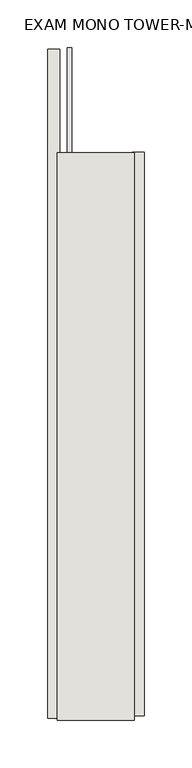
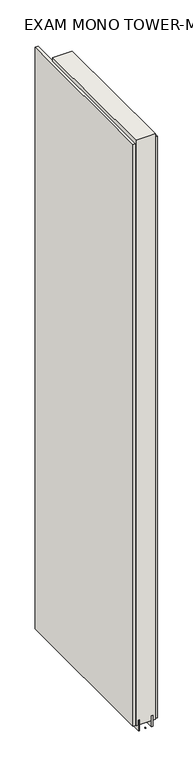
"""IFC4 building model written with IfcOpenShell, lengths in millimetres: wall geometry, EXAM MONO TOWER-MONO ACCENT 476356 : EXAM MONO TOWER-MONO ACCENT 476356."""

import ifcopenshell
import ifcopenshell.guid

model = None  # the IFC model being written
_history = None  # IfcOwnerHistory: only IFC2X3 demands one
_inside = {}  # id of a spatial element -> (the spatial element, [elements in it])
_under = {}  # id of a project, library or spatial element -> (it, [spatial elements below it])
_declared = {}  # id of a project -> (the project, [libraries it declares])
_typed = {}  # id of a type object -> (the type object, [elements of that type])
_made_of = {}  # id of a material, layer set ... -> (it, [elements and type objects made of it])


def new_model(schema):
    """Start an empty IFC model of exactly this schema.

    Asked for "IFC4X3", IfcOpenShell would pick the latest addendum, in which some entities
    have other attributes; the version numbers below select the first issue.
    IFC2X3 requires an IfcOwnerHistory on every rooted entity: one is made here for all.
    """
    global model, _history
    if schema == "IFC4X3":
        model = ifcopenshell.file(schema_version=(4, 3, 0, 0))
    else:
        model = ifcopenshell.file(schema=schema)
    _inside.clear()
    _under.clear()
    _declared.clear()
    _typed.clear()
    _made_of.clear()
    _history = None
    if model.schema == "IFC2X3":
        org = make("IfcOrganization", Name="unknown")
        user = make(
            "IfcPersonAndOrganization",
            ThePerson=make("IfcPerson", FamilyName="unknown"),
            TheOrganization=org,
        )
        app = make(
            "IfcApplication",
            ApplicationDeveloper=org,
            Version="unknown",
            ApplicationFullName="unknown",
            ApplicationIdentifier="unknown",
        )
        _history = make(
            "IfcOwnerHistory",
            OwningUser=user,
            OwningApplication=app,
            ChangeAction="ADDED",
            CreationDate=0,
        )
    return model


def make(cls, **values):
    """One entity of the class cls with the attributes given. An attribute that is None is left unset."""
    return model.create_entity(
        cls, **{name: value for name, value in values.items() if value is not None}
    )


def rooted(cls, **values):
    """An entity with a GlobalId (a new one), such as an element, a storey or a relation."""
    return make(cls, GlobalId=ifcopenshell.guid.new(), OwnerHistory=_history, **values)


def si_unit(unit_type, name, prefix=None):
    """IfcSIUnit, for example si_unit("LENGTHUNIT", "METRE", prefix="MILLI")."""
    return make("IfcSIUnit", UnitType=unit_type, Prefix=prefix, Name=name)


def assignment(units):
    """IfcUnitAssignment: the units of a project."""
    return None if units is None else make("IfcUnitAssignment", Units=units)


def point(xyz):
    """IfcCartesianPoint."""
    return None if xyz is None else make("IfcCartesianPoint", Coordinates=xyz)


def direction(xyz):
    """IfcDirection."""
    return None if xyz is None else make("IfcDirection", DirectionRatios=xyz)


def frame(location, z_axis=None, x_axis=None):
    """IfcAxis2Placement3D, a coordinate frame: its origin and axes. An axis left out is left unset."""
    return make(
        "IfcAxis2Placement3D",
        Location=point(location),
        Axis=direction(z_axis),
        RefDirection=direction(x_axis),
    )


def origin():
    """The frame at (0, 0, 0) with its axes left unset."""
    return frame((0.0, 0.0, 0.0))


def place(relative_to, where):
    """IfcLocalPlacement: puts the frame where relative to a parent placement (None: the world)."""
    return make(
        "IfcLocalPlacement", PlacementRelTo=relative_to, RelativePlacement=where
    )


def context(
    kind, dimensions, precision=None, world=None, true_north=None, identifier=None
):
    """IfcGeometricRepresentationContext, for example the 3D "Model" context."""
    return make(
        "IfcGeometricRepresentationContext",
        ContextIdentifier=identifier,
        ContextType=kind,
        CoordinateSpaceDimension=dimensions,
        Precision=precision,
        WorldCoordinateSystem=world,
        TrueNorth=true_north,
    )


def project(units=None, contexts=None):
    """IfcProject with its units and contexts."""
    return rooted(
        "IfcProject",
        Name="project",
        RepresentationContexts=contexts,
        UnitsInContext=assignment(units),
    )


def spatial(cls, under=None, at=None, **own):
    """A site, building, storey or space (cls), placed at a placement, below another one or the project."""
    s = rooted(cls, ObjectPlacement=at, **own)
    if under is not None:
        _under.setdefault(under.id(), (under, []))[1].append(s)
    return s


def polyline(points):
    """IfcPolyline through the points."""
    return make("IfcPolyline", Points=[point(p) for p in points])


def outline(outer, holes=None, kind="AREA"):
    """IfcArbitraryClosedProfileDef: a profile drawn as a closed curve; with holes, ...WithVoids."""
    if holes is None:
        return make("IfcArbitraryClosedProfileDef", ProfileType=kind, OuterCurve=outer)
    return make(
        "IfcArbitraryProfileDefWithVoids",
        ProfileType=kind,
        OuterCurve=outer,
        InnerCurves=holes,
    )


def extrude(swept, where, along, depth):
    """IfcExtrudedAreaSolid: the profile swept, set in the frame where, extruded along a direction by depth."""
    return make(
        "IfcExtrudedAreaSolid",
        SweptArea=swept,
        Position=where,
        ExtrudedDirection=direction(along),
        Depth=depth,
    )


def shape(context_of_items, identifier, shape_type, items):
    """IfcShapeRepresentation: the items that make up one representation, for example the "Body"."""
    return make(
        "IfcShapeRepresentation",
        ContextOfItems=context_of_items,
        RepresentationIdentifier=identifier,
        RepresentationType=shape_type,
        Items=items,
    )


def source(mapping_origin, context_of_items, identifier, shape_type, items):
    """IfcRepresentationMap: a shape defined once, which mapped items show again and again."""
    return make(
        "IfcRepresentationMap",
        MappingOrigin=mapping_origin,
        MappedRepresentation=shape(context_of_items, identifier, shape_type, items),
    )


def transform(
    local_origin,
    x_axis=None,
    y_axis=None,
    z_axis=None,
    scale=None,
    scale2=None,
    scale3=None,
    uniform=True,
):
    """IfcCartesianTransformationOperator3D, or its non-uniform kind. x_axis, y_axis, z_axis: its Axis1, 2, 3."""
    if uniform:
        return make(
            "IfcCartesianTransformationOperator3D",
            Axis1=direction(x_axis),
            Axis2=direction(y_axis),
            LocalOrigin=point(local_origin),
            Scale=scale,
            Axis3=direction(z_axis),
        )
    return make(
        "IfcCartesianTransformationOperator3DnonUniform",
        Axis1=direction(x_axis),
        Axis2=direction(y_axis),
        LocalOrigin=point(local_origin),
        Scale=scale,
        Axis3=direction(z_axis),
        Scale2=scale2,
        Scale3=scale3,
    )


def mapped(mapping_source, mapping_target):
    """IfcMappedItem: shows the shape of a source again, moved by a transform."""
    return make(
        "IfcMappedItem", MappingSource=mapping_source, MappingTarget=mapping_target
    )


def made_of(thing, what):
    """Note that an element or type object is made of a material, layer set ...; save() writes the relation."""
    if what is not None:
        _made_of.setdefault(what.id(), (what, []))[1].append(thing)
    return thing


def element(
    cls,
    number,
    at=None,
    inside=None,
    cuts=None,
    type_object=None,
    material=None,
    context=None,
    identifier="Body",
    shape_type=None,
    held_by="IfcProductDefinitionShape",
    body=None,
    shapes=None,
    **own,
):
    """One element of the class cls, such as IfcWall. Its Tag is "e" and its number.

    at: its placement. inside: the storey or other place that contains it. cuts: it is an
    opening in that element (IfcRelVoidsElement). A single representation is given by context,
    identifier, shape_type and body (its items); several are given by shapes. held_by: the class
    of the entity that holds the representations. save() writes the other relations.
    """
    e = rooted(cls, Tag="e%d" % number, ObjectPlacement=at, **own)
    if body is not None:
        shapes = [shape(context, identifier, shape_type, body)]
    if shapes is not None:
        e.Representation = make(held_by, Representations=shapes)
    if inside is not None:
        _inside.setdefault(inside.id(), (inside, []))[1].append(e)
    if cuts is not None:
        rooted(
            "IfcRelVoidsElement", RelatingBuildingElement=cuts, RelatedOpeningElement=e
        )
    if type_object is not None:
        _typed.setdefault(type_object.id(), (type_object, []))[1].append(e)
    return made_of(e, material)


def aggregate(whole, parts):
    """IfcRelAggregates: a whole, such as a stair, and the parts it consists of."""
    return rooted("IfcRelAggregates", RelatingObject=whole, RelatedObjects=parts)


def save(model, path):
    """Write the relations noted so far, then the file.

    IfcRelAggregates (storeys below a building ...), IfcRelContainedInSpatialStructure (elements
    in a storey), IfcRelDefinesByType, IfcRelAssociatesMaterial and IfcRelDeclares: one each for
    every whole, place, type object, material and project.
    """
    for whole, parts in _under.values():
        aggregate(whole, parts)
    for where, things in _inside.values():
        rooted(
            "IfcRelContainedInSpatialStructure",
            RelatedElements=things,
            RelatingStructure=where,
        )
    for kind, things in _typed.values():
        rooted("IfcRelDefinesByType", RelatedObjects=things, RelatingType=kind)
    for what, things in _made_of.values():
        rooted("IfcRelAssociatesMaterial", RelatedObjects=things, RelatingMaterial=what)
    for by, libraries in _declared.values():
        rooted("IfcRelDeclares", RelatingContext=by, RelatedDefinitions=libraries)
    model.write(path)


def exam_mono_tower_mono_accent_476356_exam_mono_tower_mono_7ba82858(model_context):
    return source(origin(), model_context, "Body", "SweptSolid", [
        extrude(outline(polyline([(57408.482211, -53473.1403992), (57408.482211, -53475.6803992), (57405.942211, -53475.6803992), (57405.942211, -53473.1403992), (57408.482211, -53473.1403992)])), frame((0.0, 0.0, 4419.6), z_axis=(0.0, 0.0, 1.0), x_axis=(1.0, 0.0, 0.0)), (0.0, 0.0, 1.0), 2.54),
        extrude(outline(polyline([(57356.412211, -53473.6795904), (57356.412211, -52770.1796004), (57369.112211, -52770.1796004), (57369.112211, -53473.6795904), (57356.412211, -53473.6795904)])), frame((0.0, 0.0, 4445.0), z_axis=(0.0, 0.0, 1.0), x_axis=(1.0, 0.0, 0.0)), (0.0, 0.0, 1.0), 2545.0498756),
        extrude(outline(polyline([(57458.012211, -52878.313598), (57458.012211, -53471.2135552), (57445.312211, -53471.2135552), (57445.312211, -52878.313598), (57458.012211, -52878.313598)])), frame((0.0, 0.0, 4445.0), z_axis=(0.0, 0.0, 1.0), x_axis=(1.0, 0.0, 0.0)), (0.0, 0.0, 1.0), 2545.0498756),
        extrude(outline(polyline([(57382.1284664, -52768.1961398), (57382.1284664, -53475.6878414), (57377.049711, -53475.6878414), (57377.049711, -52768.1961398), (57382.1284664, -52768.1961398)])), frame((0.0, 0.0, 4418.6602), z_axis=(0.0, 0.0, 1.0), x_axis=(1.0, 0.0, 0.0)), (0.0, 0.0, 1.0), 47.625),
        extrude(outline(polyline([(57382.1284664, -52768.1961398), (57382.1284664, -53475.6878414), (57377.049711, -53475.6878414), (57377.049711, -52768.1961398), (57382.1284664, -52768.1961398)])), frame((0.0, 0.0, 4418.6602), z_axis=(0.0, 0.0, 1.0), x_axis=(1.0, 0.0, 0.0)), (0.0, 0.0, 1.0), 47.625),
        extrude(outline(polyline([(57432.2959556, -53475.6878414), (57432.2959556, -52878.7878414), (57437.374711, -52878.7878414), (57437.374711, -53475.6878414), (57432.2959556, -53475.6878414)])), frame((0.0, 0.0, 4418.6602), z_axis=(0.0, 0.0, 1.0), x_axis=(1.0, 0.0, 0.0)), (0.0, 0.0, 1.0), 47.625),
        extrude(outline(polyline([(57432.2959556, -53475.6878414), (57432.2959556, -52878.7878414), (57437.374711, -52878.7878414), (57437.374711, -53475.6878414), (57432.2959556, -53475.6878414)])), frame((0.0, 0.0, 4418.6602), z_axis=(0.0, 0.0, 1.0), x_axis=(1.0, 0.0, 0.0)), (0.0, 0.0, 1.0), 47.625),
        extrude(outline(polyline([(57366.5573266, -52878.7878414), (57447.8670954, -52878.7878414), (57447.8670954, -53475.6878414), (57366.5573266, -53475.6878414), (57366.5573266, -52878.7878414)])), frame((0.0, 0.0, 4445.0), z_axis=(0.0, 0.0, 1.0), x_axis=(1.0, 0.0, 0.0)), (0.0, 0.0, 1.0), 2562.4536762),
    ])


if __name__ == "__main__":
    model = new_model("IFC4")
    model_context = context("Model", 3, world=origin())
    ifc_project = project(units=[si_unit("LENGTHUNIT", "METRE", prefix="MILLI")], contexts=[model_context])
    site = spatial("IfcSite", under=ifc_project)
    building = spatial("IfcBuilding", under=site)
    placement = place(None, origin())
    exam_mono_tower_mono_accent_476356_exam_mono_tower_mono_shape = exam_mono_tower_mono_accent_476356_exam_mono_tower_mono_7ba82858(model_context)
    element("IfcWall", 1, ObjectType="EXAM MONO TOWER-MONO ACCENT 476356 : EXAM MONO TOWER-MONO ACCENT 476356", at=placement, inside=building, context=model_context, shape_type="MappedRepresentation", body=[
        mapped(exam_mono_tower_mono_accent_476356_exam_mono_tower_mono_shape, transform((0.0, 0.0, 0.0), x_axis=(1.0, 0.0, 0.0), y_axis=(0.0, 1.0, 0.0), z_axis=(0.0, 0.0, 1.0))),
    ])
    save(model, "model.ifc")
